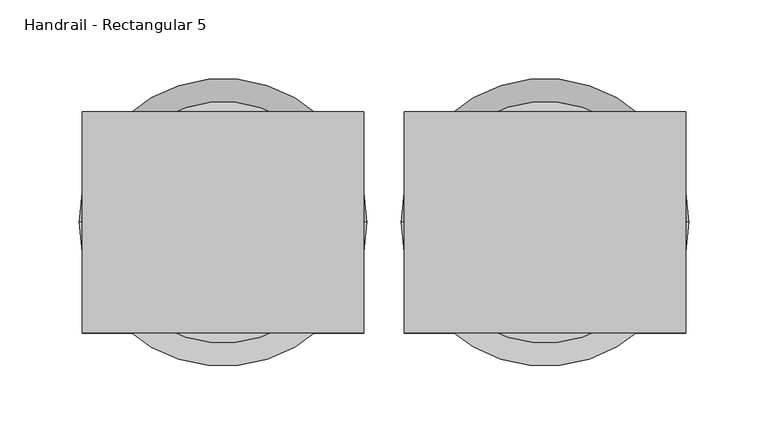
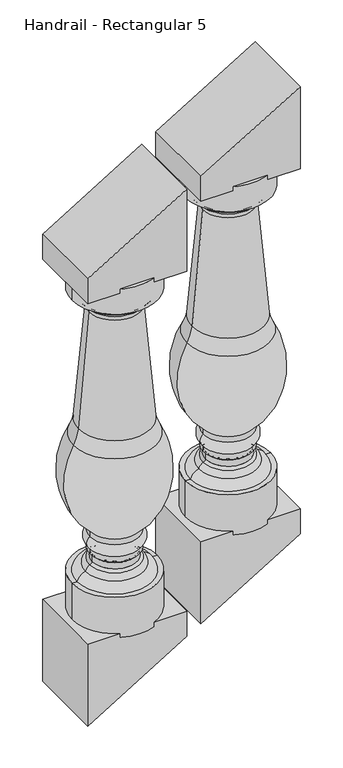
"""IFC4 building model written with IfcOpenShell, lengths in millimetres: railing geometry, Handrail - Rectangular 5."""

import ifcopenshell
import ifcopenshell.guid

model = None  # the IFC model being written
_history = None  # IfcOwnerHistory: only IFC2X3 demands one
_inside = {}  # id of a spatial element -> (the spatial element, [elements in it])
_under = {}  # id of a project, library or spatial element -> (it, [spatial elements below it])
_declared = {}  # id of a project -> (the project, [libraries it declares])
_typed = {}  # id of a type object -> (the type object, [elements of that type])
_made_of = {}  # id of a material, layer set ... -> (it, [elements and type objects made of it])


def new_model(schema):
    """Start an empty IFC model of exactly this schema.

    Asked for "IFC4X3", IfcOpenShell would pick the latest addendum, in which some entities
    have other attributes; the version numbers below select the first issue.
    IFC2X3 requires an IfcOwnerHistory on every rooted entity: one is made here for all.
    """
    global model, _history
    if schema == "IFC4X3":
        model = ifcopenshell.file(schema_version=(4, 3, 0, 0))
    else:
        model = ifcopenshell.file(schema=schema)
    _inside.clear()
    _under.clear()
    _declared.clear()
    _typed.clear()
    _made_of.clear()
    _history = None
    if model.schema == "IFC2X3":
        org = make("IfcOrganization", Name="unknown")
        user = make(
            "IfcPersonAndOrganization",
            ThePerson=make("IfcPerson", FamilyName="unknown"),
            TheOrganization=org,
        )
        app = make(
            "IfcApplication",
            ApplicationDeveloper=org,
            Version="unknown",
            ApplicationFullName="unknown",
            ApplicationIdentifier="unknown",
        )
        _history = make(
            "IfcOwnerHistory",
            OwningUser=user,
            OwningApplication=app,
            ChangeAction="ADDED",
            CreationDate=0,
        )
    return model


def make(cls, **values):
    """One entity of the class cls with the attributes given. An attribute that is None is left unset."""
    return model.create_entity(
        cls, **{name: value for name, value in values.items() if value is not None}
    )


def rooted(cls, **values):
    """An entity with a GlobalId (a new one), such as an element, a storey or a relation."""
    return make(cls, GlobalId=ifcopenshell.guid.new(), OwnerHistory=_history, **values)


def si_unit(unit_type, name, prefix=None):
    """IfcSIUnit, for example si_unit("LENGTHUNIT", "METRE", prefix="MILLI")."""
    return make("IfcSIUnit", UnitType=unit_type, Prefix=prefix, Name=name)


def assignment(units):
    """IfcUnitAssignment: the units of a project."""
    return None if units is None else make("IfcUnitAssignment", Units=units)


def point(xyz):
    """IfcCartesianPoint."""
    return None if xyz is None else make("IfcCartesianPoint", Coordinates=xyz)


def direction(xyz):
    """IfcDirection."""
    return None if xyz is None else make("IfcDirection", DirectionRatios=xyz)


def frame(location, z_axis=None, x_axis=None):
    """IfcAxis2Placement3D, a coordinate frame: its origin and axes. An axis left out is left unset."""
    return make(
        "IfcAxis2Placement3D",
        Location=point(location),
        Axis=direction(z_axis),
        RefDirection=direction(x_axis),
    )


def origin():
    """The frame at (0, 0, 0) with its axes left unset."""
    return frame((0.0, 0.0, 0.0))


def place(relative_to, where):
    """IfcLocalPlacement: puts the frame where relative to a parent placement (None: the world)."""
    return make(
        "IfcLocalPlacement", PlacementRelTo=relative_to, RelativePlacement=where
    )


def context(
    kind, dimensions, precision=None, world=None, true_north=None, identifier=None
):
    """IfcGeometricRepresentationContext, for example the 3D "Model" context."""
    return make(
        "IfcGeometricRepresentationContext",
        ContextIdentifier=identifier,
        ContextType=kind,
        CoordinateSpaceDimension=dimensions,
        Precision=precision,
        WorldCoordinateSystem=world,
        TrueNorth=true_north,
    )


def project(units=None, contexts=None):
    """IfcProject with its units and contexts."""
    return rooted(
        "IfcProject",
        Name="project",
        RepresentationContexts=contexts,
        UnitsInContext=assignment(units),
    )


def spatial(cls, under=None, at=None, **own):
    """A site, building, storey or space (cls), placed at a placement, below another one or the project."""
    s = rooted(cls, ObjectPlacement=at, **own)
    if under is not None:
        _under.setdefault(under.id(), (under, []))[1].append(s)
    return s


def polyline(points):
    """IfcPolyline through the points."""
    return make("IfcPolyline", Points=[point(p) for p in points])


def circle_curve(where, radius):
    """IfcCircle in the frame where."""
    return make("IfcCircle", Position=where, Radius=radius)


def ellipse_curve(where, semi_axis1, semi_axis2):
    """IfcEllipse in the frame where."""
    return make(
        "IfcEllipse", Position=where, SemiAxis1=semi_axis1, SemiAxis2=semi_axis2
    )


def trimmed(basis, trim1, trim2, sense, master):
    """IfcTrimmedCurve: the piece of a basis curve between two trims."""
    return make(
        "IfcTrimmedCurve",
        BasisCurve=basis,
        Trim1=trim1,
        Trim2=trim2,
        SenseAgreement=sense,
        MasterRepresentation=master,
    )


def outline(outer, holes=None, kind="AREA"):
    """IfcArbitraryClosedProfileDef: a profile drawn as a closed curve; with holes, ...WithVoids."""
    if holes is None:
        return make("IfcArbitraryClosedProfileDef", ProfileType=kind, OuterCurve=outer)
    return make(
        "IfcArbitraryProfileDefWithVoids",
        ProfileType=kind,
        OuterCurve=outer,
        InnerCurves=holes,
    )


def extrude(swept, where, along, depth):
    """IfcExtrudedAreaSolid: the profile swept, set in the frame where, extruded along a direction by depth."""
    return make(
        "IfcExtrudedAreaSolid",
        SweptArea=swept,
        Position=where,
        ExtrudedDirection=direction(along),
        Depth=depth,
    )


def shape(context_of_items, identifier, shape_type, items):
    """IfcShapeRepresentation: the items that make up one representation, for example the "Body"."""
    return make(
        "IfcShapeRepresentation",
        ContextOfItems=context_of_items,
        RepresentationIdentifier=identifier,
        RepresentationType=shape_type,
        Items=items,
    )


def source(mapping_origin, context_of_items, identifier, shape_type, items):
    """IfcRepresentationMap: a shape defined once, which mapped items show again and again."""
    return make(
        "IfcRepresentationMap",
        MappingOrigin=mapping_origin,
        MappedRepresentation=shape(context_of_items, identifier, shape_type, items),
    )


def transform(
    local_origin,
    x_axis=None,
    y_axis=None,
    z_axis=None,
    scale=None,
    scale2=None,
    scale3=None,
    uniform=True,
):
    """IfcCartesianTransformationOperator3D, or its non-uniform kind. x_axis, y_axis, z_axis: its Axis1, 2, 3."""
    if uniform:
        return make(
            "IfcCartesianTransformationOperator3D",
            Axis1=direction(x_axis),
            Axis2=direction(y_axis),
            LocalOrigin=point(local_origin),
            Scale=scale,
            Axis3=direction(z_axis),
        )
    return make(
        "IfcCartesianTransformationOperator3DnonUniform",
        Axis1=direction(x_axis),
        Axis2=direction(y_axis),
        LocalOrigin=point(local_origin),
        Scale=scale,
        Axis3=direction(z_axis),
        Scale2=scale2,
        Scale3=scale3,
    )


def mapped(mapping_source, mapping_target):
    """IfcMappedItem: shows the shape of a source again, moved by a transform."""
    return make(
        "IfcMappedItem", MappingSource=mapping_source, MappingTarget=mapping_target
    )


def made_of(thing, what):
    """Note that an element or type object is made of a material, layer set ...; save() writes the relation."""
    if what is not None:
        _made_of.setdefault(what.id(), (what, []))[1].append(thing)
    return thing


def element(
    cls,
    number,
    at=None,
    inside=None,
    cuts=None,
    type_object=None,
    material=None,
    context=None,
    identifier="Body",
    shape_type=None,
    held_by="IfcProductDefinitionShape",
    body=None,
    shapes=None,
    **own,
):
    """One element of the class cls, such as IfcWall. Its Tag is "e" and its number.

    at: its placement. inside: the storey or other place that contains it. cuts: it is an
    opening in that element (IfcRelVoidsElement). A single representation is given by context,
    identifier, shape_type and body (its items); several are given by shapes. held_by: the class
    of the entity that holds the representations. save() writes the other relations.
    """
    e = rooted(cls, Tag="e%d" % number, ObjectPlacement=at, **own)
    if body is not None:
        shapes = [shape(context, identifier, shape_type, body)]
    if shapes is not None:
        e.Representation = make(held_by, Representations=shapes)
    if inside is not None:
        _inside.setdefault(inside.id(), (inside, []))[1].append(e)
    if cuts is not None:
        rooted(
            "IfcRelVoidsElement", RelatingBuildingElement=cuts, RelatedOpeningElement=e
        )
    if type_object is not None:
        _typed.setdefault(type_object.id(), (type_object, []))[1].append(e)
    return made_of(e, material)


def aggregate(whole, parts):
    """IfcRelAggregates: a whole, such as a stair, and the parts it consists of."""
    return rooted("IfcRelAggregates", RelatingObject=whole, RelatedObjects=parts)


def save(model, path):
    """Write the relations noted so far, then the file.

    IfcRelAggregates (storeys below a building ...), IfcRelContainedInSpatialStructure (elements
    in a storey), IfcRelDefinesByType, IfcRelAssociatesMaterial and IfcRelDeclares: one each for
    every whole, place, type object, material and project.
    """
    for whole, parts in _under.values():
        aggregate(whole, parts)
    for where, things in _inside.values():
        rooted(
            "IfcRelContainedInSpatialStructure",
            RelatedElements=things,
            RelatingStructure=where,
        )
    for kind, things in _typed.values():
        rooted("IfcRelDefinesByType", RelatedObjects=things, RelatingType=kind)
    for what, things in _made_of.values():
        rooted("IfcRelAssociatesMaterial", RelatedObjects=things, RelatingMaterial=what)
    for by, libraries in _declared.values():
        rooted("IfcRelDeclares", RelatingContext=by, RelatedDefinitions=libraries)
    model.write(path)


def plane_surface(at):
    """IfcPlane: the flat surface through the origin of the frame at, square to its z axis."""
    return make("IfcPlane", Position=at)


def cylinder_surface(at, radius):
    """IfcCylindricalSurface: all points at the distance radius from the z axis of the frame at."""
    return make("IfcCylindricalSurface", Position=at, Radius=radius)


def revolved_surface(curve, axis_point, axis_direction):
    """IfcSurfaceOfRevolution: the curve turned about the line through axis_point along axis_direction."""
    return make(
        "IfcSurfaceOfRevolution",
        SweptCurve=make("IfcArbitraryOpenProfileDef", ProfileType="CURVE", Curve=curve),
        AxisPosition=make("IfcAxis1Placement", Location=point(axis_point), Axis=direction(axis_direction)),
    )


def advanced_brep(points, edges, surfaces, faces):
    """IfcAdvancedBrep: a solid bounded by faces that lie on surfaces and meet in shared edges.

    An edge is (start, end): straight between two places in points (the first is 0);
    or (start, end, curve); or (start, end, curve, False) where it runs against its curve.
    A face is (place in surfaces, loops), or (place, loops, False) where it looks against
    its surface's normal. A loop lists edges by number (the first is 1), with a minus sign
    where the edge is run from its end to its start. The first loop is the outer one.
    """
    corners = [point(p) for p in points]
    vertices = [make("IfcVertexPoint", VertexGeometry=c) for c in corners]
    made = []
    for start, end, *more in edges:
        made.append(
            make(
                "IfcEdgeCurve",
                EdgeStart=vertices[start],
                EdgeEnd=vertices[end],
                EdgeGeometry=more[0] if more else make("IfcPolyline", Points=[corners[start], corners[end]]),
                SameSense=more[1] if len(more) > 1 else True,
            )
        )
    hull = []
    for where, loops, *sense in faces:
        bounds = []
        for j, loop in enumerate(loops):
            ring = [make("IfcOrientedEdge", EdgeElement=made[abs(k) - 1], Orientation=k > 0) for k in loop]
            bounds.append(
                make(
                    "IfcFaceOuterBound" if j == 0 else "IfcFaceBound",
                    Bound=make("IfcEdgeLoop", EdgeList=ring),
                    Orientation=True,
                )
            )
        hull.append(make("IfcAdvancedFace", Bounds=bounds, FaceSurface=surfaces[where], SameSense=sense[0] if sense else True))
    return make("IfcAdvancedBrep", Outer=make("IfcClosedShell", CfsFaces=hull))


def handrail_rectangular_5_bce37ac3(model_context):
    return source(origin(), model_context, "Body", "SolidModel", [
        advanced_brep(
        [(14010.5027138, 4021.0919589, 1465.693563), (14162.9027138, 4021.0919589, 1465.693563), (14086.7027138, 4021.0919589, 1465.693563), (14010.5027138, 4021.0919589, 1418.0176385), (14162.9027138, 4021.0919589, 1418.0176385), (14020.545945, 4021.0919589, 1418.0176385), (14152.8594825, 4021.0919589, 1418.0176385), (14032.0292349, 4021.0919589, 1406.5343487), (14141.3761926, 4021.0919589, 1406.5343487), (14032.0292349, 4021.0919589, 1400.9146922), (14141.3761926, 4021.0919589, 1400.9146922), (14037.731422, 4021.0919589, 1394.7702606), (14135.6740055, 4021.0919589, 1394.7702606), (14041.0732178, 4021.0919589, 1385.4114376), (14132.3322097, 4021.0919589, 1385.4114376), (14022.3057118, 4021.0919589, 1170.0443848), (14151.0997157, 4021.0919589, 1170.0443848), (14013.2884892, 4021.0919589, 1142.0811474), (14160.1169383, 4021.0919589, 1142.0811474), (14042.5593215, 4021.0919589, 969.3378931), (14130.8461061, 4021.0919589, 969.3378931), (14042.5593215, 4021.0919589, 959.0122784), (14130.8461061, 4021.0919589, 959.0122784), (14042.5593215, 4021.0919589, 936.4368281), (14130.8461061, 4021.0919589, 936.4368281), (14042.5593215, 4021.0919589, 926.1112134), (14130.8461061, 4021.0919589, 926.1112134), (14046.8697617, 4021.0919589, 921.8007732), (14126.5356658, 4021.0919589, 921.8007732), (14046.8697617, 4021.0919589, 910.0038841), (14126.5356658, 4021.0919589, 910.0038841), (14042.3719686, 4021.0919589, 905.6975174), (14131.0334589, 4021.0919589, 905.6975174), (14034.8515116, 4021.0919589, 895.6493499), (14138.5539159, 4021.0919589, 895.6493499), (14019.7029029, 4021.0919589, 881.493563), (14153.7025247, 4021.0919589, 881.493563), (14010.5027138, 4021.0919589, 881.493563), (14162.9027138, 4021.0919589, 881.493563), (14010.5027138, 4021.0919589, 805.293563), (14162.9027138, 4021.0919589, 805.293563), (14086.7027138, 4021.0919589, 805.293563)],
        [
            (0, 1, circle_curve(frame((14086.7027138, 4021.0919589, 1465.693563), z_axis=(0.0, 0.0, 1.0), x_axis=(1.0, 0.0, 0.0)), 76.2)),
            (1, 2),
            (2, 0),
            (1, 0, circle_curve(frame((14086.7027138, 4021.0919589, 1465.693563), z_axis=(0.0, 0.0, 1.0), x_axis=(1.0, 0.0, 0.0)), 76.2)),
            (3, 4, circle_curve(frame((14086.7027138, 4021.0919589, 1418.0176385), z_axis=(0.0, 0.0, 1.0), x_axis=(1.0, 0.0, 0.0)), 76.2)),
            (4, 1),
            (0, 3),
            (4, 3, circle_curve(frame((14086.7027138, 4021.0919589, 1418.0176385), z_axis=(0.0, 0.0, 1.0), x_axis=(1.0, 0.0, 0.0)), 76.2)),
            (5, 6, circle_curve(frame((14086.7027138, 4021.0919589, 1418.0176385), z_axis=(0.0, 0.0, 1.0), x_axis=(1.0, 0.0, 0.0)), 66.1567687)),
            (6, 4),
            (3, 5),
            (6, 5, circle_curve(frame((14086.7027138, 4021.0919589, 1418.0176385), z_axis=(0.0, 0.0, 1.0), x_axis=(1.0, 0.0, 0.0)), 66.1567687)),
            (7, 8, circle_curve(frame((14086.7027138, 4021.0919589, 1406.5343487), z_axis=(0.0, 0.0, 1.0), x_axis=(1.0, 0.0, 0.0)), 54.6734788)),
            (8, 6, circle_curve(frame((14141.3761926, 4021.0919589, 1418.0176385), z_axis=(0.0, -1.0, 0.0), x_axis=(-1.0, 0.0, 0.0)), 11.4832899)),
            (5, 7, circle_curve(frame((14032.0292349, 4021.0919589, 1418.0176385), z_axis=(0.0, -1.0, 0.0), x_axis=(1.0, 0.0, 0.0)), 11.4832899)),
            (8, 7, circle_curve(frame((14086.7027138, 4021.0919589, 1406.5343487), z_axis=(0.0, 0.0, 1.0), x_axis=(1.0, 0.0, 0.0)), 54.6734788)),
            (9, 10, circle_curve(frame((14086.7027138, 4021.0919589, 1400.9146922), z_axis=(0.0, 0.0, 1.0), x_axis=(1.0, 0.0, 0.0)), 54.6734788)),
            (10, 8),
            (7, 9),
            (10, 9, circle_curve(frame((14086.7027138, 4021.0919589, 1400.9146922), z_axis=(0.0, 0.0, 1.0), x_axis=(1.0, 0.0, 0.0)), 54.6734788)),
            (11, 12, circle_curve(frame((14086.7027138, 4021.0919589, 1394.7702606), z_axis=(0.0, 0.0, 1.0), x_axis=(1.0, 0.0, 0.0)), 48.9712918)),
            (12, 10, circle_curve(frame((14149.085053, 4021.0919589, 1388.0425735), z_axis=(0.0, 1.0, 0.0), x_axis=(-1.0, 0.0, 0.0)), 15.0039317)),
            (9, 11, circle_curve(frame((14024.3203745, 4021.0919589, 1388.0425735), z_axis=(0.0, 1.0, 0.0), x_axis=(1.0, 0.0, 0.0)), 15.0039317)),
            (12, 11, circle_curve(frame((14086.7027138, 4021.0919589, 1394.7702606), z_axis=(0.0, 0.0, 1.0), x_axis=(1.0, 0.0, 0.0)), 48.9712918)),
            (13, 14, circle_curve(frame((14086.7027138, 4021.0919589, 1385.4114376), z_axis=(0.0, 0.0, 1.0), x_axis=(1.0, 0.0, 0.0)), 45.629496)),
            (14, 12, circle_curve(frame((14145.0100981, 4021.0919589, 1386.1605349), z_axis=(0.0, 1.0, 0.0), x_axis=(-1.0, 0.0, 0.0)), 12.7)),
            (11, 13, circle_curve(frame((14028.3953294, 4021.0919589, 1386.1605349), z_axis=(0.0, 1.0, 0.0), x_axis=(1.0, 0.0, 0.0)), 12.7)),
            (14, 13, circle_curve(frame((14086.7027138, 4021.0919589, 1385.4114376), z_axis=(0.0, 0.0, 1.0), x_axis=(1.0, 0.0, 0.0)), 45.629496)),
            (15, 16, circle_curve(frame((14086.7027138, 4021.0919589, 1170.0443848), z_axis=(0.0, 0.0, 1.0), x_axis=(1.0, 0.0, 0.0)), 64.3970019)),
            (16, 14, circle_curve(frame((17999.7737342, 4021.0919589, 1613.926607), z_axis=(0.0, 1.0, 0.0), x_axis=(-1.0, 0.0, 0.0)), 3874.1867698)),
            (13, 15, circle_curve(frame((10173.6316934, 4021.0919589, 1613.926607), z_axis=(0.0, 1.0, 0.0), x_axis=(1.0, 0.0, 0.0)), 3874.1867698)),
            (16, 15, circle_curve(frame((14086.7027138, 4021.0919589, 1170.0443848), z_axis=(0.0, 0.0, 1.0), x_axis=(1.0, 0.0, 0.0)), 64.3970019)),
            (17, 18, circle_curve(frame((14086.7027138, 4021.0919589, 1142.0811474), z_axis=(0.0, 0.0, 1.0), x_axis=(1.0, 0.0, 0.0)), 73.4142246)),
            (18, 16, circle_curve(frame((14225.6193683, 4021.0919589, 1178.63902), z_axis=(0.0, 1.0, 0.0), x_axis=(-1.0, 0.0, 0.0)), 75.0136413)),
            (15, 17, circle_curve(frame((13947.7860592, 4021.0919589, 1178.63902), z_axis=(0.0, 1.0, 0.0), x_axis=(1.0, 0.0, 0.0)), 75.0136413)),
            (18, 17, circle_curve(frame((14086.7027138, 4021.0919589, 1142.0811474), z_axis=(0.0, 0.0, 1.0), x_axis=(1.0, 0.0, 0.0)), 73.4142246)),
            (19, 20, circle_curve(frame((14086.7027138, 4021.0919589, 969.3378931), z_axis=(0.0, 0.0, 1.0), x_axis=(1.0, 0.0, 0.0)), 44.1433923)),
            (20, 18, circle_curve(frame((14037.994589, 4021.0919589, 1073.9228624), z_axis=(0.0, -1.0, 0.0), x_axis=(-1.0, 0.0, 0.0)), 139.8549964)),
            (17, 19, circle_curve(frame((14135.4108385, 4021.0919589, 1073.9228624), z_axis=(0.0, -1.0, 0.0), x_axis=(1.0, 0.0, 0.0)), 139.8549964)),
            (20, 19, circle_curve(frame((14086.7027138, 4021.0919589, 969.3378931), z_axis=(0.0, 0.0, 1.0), x_axis=(1.0, 0.0, 0.0)), 44.1433923)),
            (21, 22, circle_curve(frame((14086.7027138, 4021.0919589, 959.0122784), z_axis=(0.0, 0.0, 1.0), x_axis=(1.0, 0.0, 0.0)), 44.1433923)),
            (22, 20),
            (19, 21),
            (22, 21, circle_curve(frame((14086.7027138, 4021.0919589, 959.0122784), z_axis=(0.0, 0.0, 1.0), x_axis=(1.0, 0.0, 0.0)), 44.1433923)),
            (23, 24, circle_curve(frame((14086.7027138, 4021.0919589, 936.4368281), z_axis=(0.0, 0.0, 1.0), x_axis=(1.0, 0.0, 0.0)), 44.1433923)),
            (24, 22, circle_curve(frame((14122.5540782, 4021.0919589, 947.7245533), z_axis=(0.0, -1.0, 0.0), x_axis=(-1.0, 0.0, 0.0)), 14.0060867)),
            (21, 23, circle_curve(frame((14050.8513493, 4021.0919589, 947.7245533), z_axis=(0.0, -1.0, 0.0), x_axis=(1.0, 0.0, 0.0)), 14.0060867)),
            (24, 23, circle_curve(frame((14086.7027138, 4021.0919589, 936.4368281), z_axis=(0.0, 0.0, 1.0), x_axis=(1.0, 0.0, 0.0)), 44.1433923)),
            (25, 26, circle_curve(frame((14086.7027138, 4021.0919589, 926.1112134), z_axis=(0.0, 0.0, 1.0), x_axis=(1.0, 0.0, 0.0)), 44.1433923)),
            (26, 24),
            (23, 25),
            (26, 25, circle_curve(frame((14086.7027138, 4021.0919589, 926.1112134), z_axis=(0.0, 0.0, 1.0), x_axis=(1.0, 0.0, 0.0)), 44.1433923)),
            (27, 28, circle_curve(frame((14086.7027138, 4021.0919589, 921.8007732), z_axis=(0.0, 0.0, 1.0), x_axis=(1.0, 0.0, 0.0)), 39.8329521)),
            (28, 26, circle_curve(frame((14130.8461061, 4021.0919589, 921.8007732), z_axis=(0.0, 1.0, 0.0), x_axis=(-1.0, 0.0, 0.0)), 4.3104402)),
            (25, 27, circle_curve(frame((14042.5593215, 4021.0919589, 921.8007732), z_axis=(0.0, 1.0, 0.0), x_axis=(1.0, 0.0, 0.0)), 4.3104402)),
            (28, 27, circle_curve(frame((14086.7027138, 4021.0919589, 921.8007732), z_axis=(0.0, 0.0, 1.0), x_axis=(1.0, 0.0, 0.0)), 39.8329521)),
            (29, 30, circle_curve(frame((14086.7027138, 4021.0919589, 910.0038841), z_axis=(0.0, 0.0, 1.0), x_axis=(1.0, 0.0, 0.0)), 39.8329521)),
            (30, 28),
            (27, 29),
            (30, 29, circle_curve(frame((14086.7027138, 4021.0919589, 910.0038841), z_axis=(0.0, 0.0, 1.0), x_axis=(1.0, 0.0, 0.0)), 39.8329521)),
            (31, 32, circle_curve(frame((14086.7027138, 4021.0919589, 905.6975174), z_axis=(0.0, 0.0, 1.0), x_axis=(1.0, 0.0, 0.0)), 44.3307451)),
            (32, 30, circle_curve(frame((14130.8461061, 4021.0919589, 910.0038841), z_axis=(0.0, 1.0, 0.0), x_axis=(-1.0, 0.0, 0.0)), 4.3104402)),
            (29, 31, circle_curve(frame((14042.5593215, 4021.0919589, 910.0038841), z_axis=(0.0, 1.0, 0.0), x_axis=(1.0, 0.0, 0.0)), 4.3104402)),
            (32, 31, circle_curve(frame((14086.7027138, 4021.0919589, 905.6975174), z_axis=(0.0, 0.0, 1.0), x_axis=(1.0, 0.0, 0.0)), 44.3307451)),
            (33, 34, circle_curve(frame((14086.7027138, 4021.0919589, 895.6493499), z_axis=(0.0, 0.0, 1.0), x_axis=(1.0, 0.0, 0.0)), 51.8512022)),
            (34, 32, circle_curve(frame((14123.9145996, 4021.0919589, 892.5310821), z_axis=(0.0, -1.0, 0.0), x_axis=(-1.0, 0.0, 0.0)), 14.9677378)),
            (31, 33, circle_curve(frame((14049.4908279, 4021.0919589, 892.5310821), z_axis=(0.0, -1.0, 0.0), x_axis=(1.0, 0.0, 0.0)), 14.9677378)),
            (34, 33, circle_curve(frame((14086.7027138, 4021.0919589, 895.6493499), z_axis=(0.0, 0.0, 1.0), x_axis=(1.0, 0.0, 0.0)), 51.8512022)),
            (35, 36, circle_curve(frame((14086.7027138, 4021.0919589, 881.493563), z_axis=(0.0, 0.0, 1.0), x_axis=(1.0, 0.0, 0.0)), 66.9998109)),
            (36, 34, circle_curve(frame((14133.3050679, 4021.0919589, 874.8489471), z_axis=(0.0, -1.0, 0.0), x_axis=(-1.0, 0.0, 0.0)), 21.4524396)),
            (33, 35, circle_curve(frame((14040.1003597, 4021.0919589, 874.8489471), z_axis=(0.0, -1.0, 0.0), x_axis=(1.0, 0.0, 0.0)), 21.4524396)),
            (36, 35, circle_curve(frame((14086.7027138, 4021.0919589, 881.493563), z_axis=(0.0, 0.0, 1.0), x_axis=(1.0, 0.0, 0.0)), 66.9998109)),
            (37, 38, circle_curve(frame((14086.7027138, 4021.0919589, 881.493563), z_axis=(0.0, 0.0, 1.0), x_axis=(1.0, 0.0, 0.0)), 76.2)),
            (38, 36),
            (35, 37),
            (38, 37, circle_curve(frame((14086.7027138, 4021.0919589, 881.493563), z_axis=(0.0, 0.0, 1.0), x_axis=(1.0, 0.0, 0.0)), 76.2)),
            (39, 40, circle_curve(frame((14086.7027138, 4021.0919589, 805.293563), z_axis=(0.0, 0.0, 1.0), x_axis=(1.0, 0.0, 0.0)), 76.2)),
            (40, 38),
            (37, 39),
            (40, 39, circle_curve(frame((14086.7027138, 4021.0919589, 805.293563), z_axis=(0.0, 0.0, 1.0), x_axis=(1.0, 0.0, 0.0)), 76.2)),
            (41, 40),
            (39, 41),
        ],
        [
            plane_surface(frame((14086.7027138, 4021.0919589, 1465.693563), z_axis=(0.0, 0.0, 1.0), x_axis=(1.0, 0.0, 0.0))),
            cylinder_surface(frame((14086.7027138, 4021.0919589, 1433.943563), z_axis=(0.0, 0.0, -1.0), x_axis=(1.0, 0.0, 0.0)), 76.2),
            plane_surface(frame((14086.7027138, 4021.0919589, 1418.0176385), z_axis=(0.0, 0.0, -1.0), x_axis=(1.0, 0.0, 0.0))),
            revolved_surface(trimmed(ellipse_curve(frame((14141.3761926, 4021.0919589, 1418.0176385), z_axis=(0.0, 1.0, 0.0), x_axis=(-1.0, 0.0, 0.0)), 11.4832899, 11.4832899), [point((14152.8594825, 4021.0919589, 1418.0176385))], [point((14141.3761926, 4021.0919589, 1406.5343487))], True, "CARTESIAN"), (14086.7027138, 4021.0919589, 1433.943563), (0.0, 0.0, -1.0)),
            cylinder_surface(frame((14086.7027138, 4021.0919589, 1433.943563), z_axis=(0.0, 0.0, -1.0), x_axis=(1.0, 0.0, 0.0)), 54.6734788),
            revolved_surface(trimmed(ellipse_curve(frame((14149.085053, 4021.0919589, 1388.0425735), z_axis=(0.0, -1.0, 0.0), x_axis=(-1.0, 0.0, 0.0)), 15.0039317, 15.0039317), [point((14141.3761926, 4021.0919589, 1400.9146922))], [point((14135.6740055, 4021.0919589, 1394.7702606))], True, "CARTESIAN"), (14086.7027138, 4021.0919589, 1433.943563), (0.0, 0.0, -1.0)),
            revolved_surface(trimmed(ellipse_curve(frame((14145.0100981, 4021.0919589, 1386.1605349), z_axis=(0.0, -1.0, 0.0), x_axis=(-1.0, 0.0, 0.0)), 12.7, 12.7), [point((14135.6740055, 4021.0919589, 1394.7702606))], [point((14132.3322097, 4021.0919589, 1385.4114376))], True, "CARTESIAN"), (14086.7027138, 4021.0919589, 1433.943563), (0.0, 0.0, -1.0)),
            revolved_surface(trimmed(ellipse_curve(frame((17999.7737342, 4021.0919589, 1613.926607), z_axis=(0.0, -1.0, 0.0), x_axis=(-1.0, 0.0, 0.0)), 3874.1867698, 3874.1867698), [point((14132.3322097, 4021.0919589, 1385.4114376))], [point((14151.0997157, 4021.0919589, 1170.0443848))], True, "CARTESIAN"), (14086.7027138, 4021.0919589, 1433.943563), (0.0, 0.0, -1.0)),
            revolved_surface(trimmed(ellipse_curve(frame((14225.6193683, 4021.0919589, 1178.63902), z_axis=(0.0, -1.0, 0.0), x_axis=(-1.0, 0.0, 0.0)), 75.0136413, 75.0136413), [point((14151.0997157, 4021.0919589, 1170.0443848))], [point((14160.1169383, 4021.0919589, 1142.0811474))], True, "CARTESIAN"), (14086.7027138, 4021.0919589, 1433.943563), (0.0, 0.0, -1.0)),
            revolved_surface(trimmed(ellipse_curve(frame((14037.994589, 4021.0919589, 1073.9228624), z_axis=(0.0, 1.0, 0.0), x_axis=(-1.0, 0.0, 0.0)), 139.8549964, 139.8549964), [point((14160.1169383, 4021.0919589, 1142.0811474))], [point((14130.8461061, 4021.0919589, 969.3378931))], True, "CARTESIAN"), (14086.7027138, 4021.0919589, 1433.943563), (0.0, 0.0, -1.0)),
            cylinder_surface(frame((14086.7027138, 4021.0919589, 1433.943563), z_axis=(0.0, 0.0, -1.0), x_axis=(1.0, 0.0, 0.0)), 44.1433923),
            revolved_surface(trimmed(ellipse_curve(frame((14122.5540782, 4021.0919589, 947.7245533), z_axis=(0.0, 1.0, 0.0), x_axis=(-1.0, 0.0, 0.0)), 14.0060867, 14.0060867), [point((14130.8461061, 4021.0919589, 959.0122784))], [point((14130.8461061, 4021.0919589, 936.4368281))], True, "CARTESIAN"), (14086.7027138, 4021.0919589, 1433.943563), (0.0, 0.0, -1.0)),
            revolved_surface(trimmed(ellipse_curve(frame((14130.8461061, 4021.0919589, 921.8007732), z_axis=(0.0, -1.0, 0.0), x_axis=(-1.0, 0.0, 0.0)), 4.3104402, 4.3104402), [point((14130.8461061, 4021.0919589, 926.1112134))], [point((14126.5356658, 4021.0919589, 921.8007732))], True, "CARTESIAN"), (14086.7027138, 4021.0919589, 1433.943563), (0.0, 0.0, -1.0)),
            cylinder_surface(frame((14086.7027138, 4021.0919589, 1433.943563), z_axis=(0.0, 0.0, -1.0), x_axis=(1.0, 0.0, 0.0)), 39.8329521),
            revolved_surface(trimmed(ellipse_curve(frame((14130.8461061, 4021.0919589, 910.0038841), z_axis=(0.0, -1.0, 0.0), x_axis=(-1.0, 0.0, 0.0)), 4.3104402, 4.3104402), [point((14126.5356658, 4021.0919589, 910.0038841))], [point((14131.0334589, 4021.0919589, 905.6975174))], True, "CARTESIAN"), (14086.7027138, 4021.0919589, 1433.943563), (0.0, 0.0, -1.0)),
            revolved_surface(trimmed(ellipse_curve(frame((14123.9145996, 4021.0919589, 892.5310821), z_axis=(0.0, 1.0, 0.0), x_axis=(-1.0, 0.0, 0.0)), 14.9677378, 14.9677378), [point((14131.0334589, 4021.0919589, 905.6975174))], [point((14138.5539159, 4021.0919589, 895.6493499))], True, "CARTESIAN"), (14086.7027138, 4021.0919589, 1433.943563), (0.0, 0.0, -1.0)),
            revolved_surface(trimmed(ellipse_curve(frame((14133.3050679, 4021.0919589, 874.8489471), z_axis=(0.0, 1.0, 0.0), x_axis=(-1.0, 0.0, 0.0)), 21.4524396, 21.4524396), [point((14138.5539159, 4021.0919589, 895.6493499))], [point((14153.7025247, 4021.0919589, 881.493563))], True, "CARTESIAN"), (14086.7027138, 4021.0919589, 1433.943563), (0.0, 0.0, -1.0)),
            plane_surface(frame((14086.7027138, 4021.0919589, 881.493563), z_axis=(0.0, 0.0, 1.0), x_axis=(1.0, 0.0, 0.0))),
            plane_surface(frame((14086.7027138, 4021.0919589, 805.293563), z_axis=(0.0, 0.0, -1.0), x_axis=(1.0, 0.0, 0.0))),
        ],
        [
            (0, [[1, 2, 3]]),
            (0, [[4, -3, -2]]),
            (1, [[5, 6, -1, 7]]),
            (1, [[8, -7, -4, -6]]),
            (2, [[9, 10, -5, 11]]),
            (2, [[12, -11, -8, -10]]),
            (3, [[13, 14, -9, 15]]),
            (3, [[16, -15, -12, -14]]),
            (4, [[17, 18, -13, 19]]),
            (4, [[20, -19, -16, -18]]),
            (5, [[21, 22, -17, 23]]),
            (5, [[24, -23, -20, -22]]),
            (6, [[25, 26, -21, 27]]),
            (6, [[28, -27, -24, -26]]),
            (7, [[29, 30, -25, 31]]),
            (7, [[32, -31, -28, -30]]),
            (8, [[33, 34, -29, 35]]),
            (8, [[36, -35, -32, -34]]),
            (9, [[37, 38, -33, 39]]),
            (9, [[40, -39, -36, -38]]),
            (10, [[41, 42, -37, 43]]),
            (10, [[44, -43, -40, -42]]),
            (11, [[45, 46, -41, 47]]),
            (11, [[48, -47, -44, -46]]),
            (10, [[49, 50, -45, 51]]),
            (10, [[52, -51, -48, -50]]),
            (12, [[53, 54, -49, 55]]),
            (12, [[56, -55, -52, -54]]),
            (13, [[57, 58, -53, 59]]),
            (13, [[60, -59, -56, -58]]),
            (14, [[61, 62, -57, 63]]),
            (14, [[64, -63, -60, -62]]),
            (15, [[65, 66, -61, 67]]),
            (15, [[68, -67, -64, -66]]),
            (16, [[69, 70, -65, 71]]),
            (16, [[72, -71, -68, -70]]),
            (17, [[73, 74, -69, 75]]),
            (17, [[76, -75, -72, -74]]),
            (1, [[77, 78, -73, 79]]),
            (1, [[80, -79, -76, -78]]),
            (18, [[81, -77, 82]]),
            (18, [[-82, -80, -81]]),
        ],
    ),
        extrude(outline(polyline([(813.0886364, 14175.6027138), (813.0886364, 13997.8027138), (657.6098485, 13997.8027138), (765.3674242, 14175.6027138), (813.0886364, 14175.6027138)])), frame((0.0, 3951.2419589, 0.0), z_axis=(0.0, 1.0, 0.0), x_axis=(0.0, 0.0, 1.0)), (0.0, 0.0, 1.0), 139.7),
        extrude(outline(polyline([(1457.8984897, 13997.8027138), (1457.8984897, 14175.6027138), (1613.3772775, 14175.6027138), (1505.6197018, 13997.8027138), (1457.8984897, 13997.8027138)])), frame((0.0, 3951.2419589, 0.0), z_axis=(0.0, 1.0, 0.0), x_axis=(0.0, 0.0, 1.0)), (0.0, 0.0, 1.0), 139.7),
        advanced_brep(
        [(13807.3027138, 4021.0919589, 1342.5420479), (13959.7027138, 4021.0919589, 1342.5420479), (13883.5027138, 4021.0919589, 1342.5420479), (13807.3027138, 4021.0919589, 1294.8661234), (13959.7027138, 4021.0919589, 1294.8661234), (13817.345945, 4021.0919589, 1294.8661234), (13949.6594825, 4021.0919589, 1294.8661234), (13828.8292349, 4021.0919589, 1283.3828335), (13938.1761926, 4021.0919589, 1283.3828335), (13828.8292349, 4021.0919589, 1277.763177), (13938.1761926, 4021.0919589, 1277.763177), (13834.531422, 4021.0919589, 1271.6187454), (13932.4740055, 4021.0919589, 1271.6187454), (13837.8732178, 4021.0919589, 1262.2599225), (13929.1322097, 4021.0919589, 1262.2599225), (13819.1057118, 4021.0919589, 1046.8928697), (13947.8997157, 4021.0919589, 1046.8928697), (13810.0884892, 4021.0919589, 1018.9296322), (13956.9169383, 4021.0919589, 1018.9296322), (13839.3593215, 4021.0919589, 846.1863779), (13927.6461061, 4021.0919589, 846.1863779), (13839.3593215, 4021.0919589, 835.8607632), (13927.6461061, 4021.0919589, 835.8607632), (13839.3593215, 4021.0919589, 813.285313), (13927.6461061, 4021.0919589, 813.285313), (13839.3593215, 4021.0919589, 802.9596983), (13927.6461061, 4021.0919589, 802.9596983), (13843.6697617, 4021.0919589, 798.649258), (13923.3356658, 4021.0919589, 798.649258), (13843.6697617, 4021.0919589, 786.8523689), (13923.3356658, 4021.0919589, 786.8523689), (13839.1719686, 4021.0919589, 782.5460022), (13927.8334589, 4021.0919589, 782.5460022), (13831.6515116, 4021.0919589, 772.4978348), (13935.3539159, 4021.0919589, 772.4978348), (13816.5029029, 4021.0919589, 758.3420479), (13950.5025247, 4021.0919589, 758.3420479), (13807.3027138, 4021.0919589, 758.3420479), (13959.7027138, 4021.0919589, 758.3420479), (13807.3027138, 4021.0919589, 682.1420479), (13959.7027138, 4021.0919589, 682.1420479), (13883.5027138, 4021.0919589, 682.1420479)],
        [
            (0, 1, circle_curve(frame((13883.5027138, 4021.0919589, 1342.5420479), z_axis=(0.0, 0.0, 1.0), x_axis=(1.0, 0.0, 0.0)), 76.2)),
            (1, 2),
            (2, 0),
            (1, 0, circle_curve(frame((13883.5027138, 4021.0919589, 1342.5420479), z_axis=(0.0, 0.0, 1.0), x_axis=(1.0, 0.0, 0.0)), 76.2)),
            (3, 4, circle_curve(frame((13883.5027138, 4021.0919589, 1294.8661234), z_axis=(0.0, 0.0, 1.0), x_axis=(1.0, 0.0, 0.0)), 76.2)),
            (4, 1),
            (0, 3),
            (4, 3, circle_curve(frame((13883.5027138, 4021.0919589, 1294.8661234), z_axis=(0.0, 0.0, 1.0), x_axis=(1.0, 0.0, 0.0)), 76.2)),
            (5, 6, circle_curve(frame((13883.5027138, 4021.0919589, 1294.8661234), z_axis=(0.0, 0.0, 1.0), x_axis=(1.0, 0.0, 0.0)), 66.1567687)),
            (6, 4),
            (3, 5),
            (6, 5, circle_curve(frame((13883.5027138, 4021.0919589, 1294.8661234), z_axis=(0.0, 0.0, 1.0), x_axis=(1.0, 0.0, 0.0)), 66.1567687)),
            (7, 8, circle_curve(frame((13883.5027138, 4021.0919589, 1283.3828335), z_axis=(0.0, 0.0, 1.0), x_axis=(1.0, 0.0, 0.0)), 54.6734788)),
            (8, 6, circle_curve(frame((13938.1761926, 4021.0919589, 1294.8661234), z_axis=(0.0, -1.0, 0.0), x_axis=(-1.0, 0.0, 0.0)), 11.4832899)),
            (5, 7, circle_curve(frame((13828.8292349, 4021.0919589, 1294.8661234), z_axis=(0.0, -1.0, 0.0), x_axis=(1.0, 0.0, 0.0)), 11.4832899)),
            (8, 7, circle_curve(frame((13883.5027138, 4021.0919589, 1283.3828335), z_axis=(0.0, 0.0, 1.0), x_axis=(1.0, 0.0, 0.0)), 54.6734788)),
            (9, 10, circle_curve(frame((13883.5027138, 4021.0919589, 1277.763177), z_axis=(0.0, 0.0, 1.0), x_axis=(1.0, 0.0, 0.0)), 54.6734788)),
            (10, 8),
            (7, 9),
            (10, 9, circle_curve(frame((13883.5027138, 4021.0919589, 1277.763177), z_axis=(0.0, 0.0, 1.0), x_axis=(1.0, 0.0, 0.0)), 54.6734788)),
            (11, 12, circle_curve(frame((13883.5027138, 4021.0919589, 1271.6187454), z_axis=(0.0, 0.0, 1.0), x_axis=(1.0, 0.0, 0.0)), 48.9712918)),
            (12, 10, circle_curve(frame((13945.885053, 4021.0919589, 1264.8910584), z_axis=(0.0, 1.0, 0.0), x_axis=(-1.0, 0.0, 0.0)), 15.0039317)),
            (9, 11, circle_curve(frame((13821.1203745, 4021.0919589, 1264.8910584), z_axis=(0.0, 1.0, 0.0), x_axis=(1.0, 0.0, 0.0)), 15.0039317)),
            (12, 11, circle_curve(frame((13883.5027138, 4021.0919589, 1271.6187454), z_axis=(0.0, 0.0, 1.0), x_axis=(1.0, 0.0, 0.0)), 48.9712918)),
            (13, 14, circle_curve(frame((13883.5027138, 4021.0919589, 1262.2599225), z_axis=(0.0, 0.0, 1.0), x_axis=(1.0, 0.0, 0.0)), 45.629496)),
            (14, 12, circle_curve(frame((13941.8100981, 4021.0919589, 1263.0090197), z_axis=(0.0, 1.0, 0.0), x_axis=(-1.0, 0.0, 0.0)), 12.7)),
            (11, 13, circle_curve(frame((13825.1953294, 4021.0919589, 1263.0090197), z_axis=(0.0, 1.0, 0.0), x_axis=(1.0, 0.0, 0.0)), 12.7)),
            (14, 13, circle_curve(frame((13883.5027138, 4021.0919589, 1262.2599225), z_axis=(0.0, 0.0, 1.0), x_axis=(1.0, 0.0, 0.0)), 45.629496)),
            (15, 16, circle_curve(frame((13883.5027138, 4021.0919589, 1046.8928697), z_axis=(0.0, 0.0, 1.0), x_axis=(1.0, 0.0, 0.0)), 64.3970019)),
            (16, 14, circle_curve(frame((17796.5737342, 4021.0919589, 1490.7750918), z_axis=(0.0, 1.0, 0.0), x_axis=(-1.0, 0.0, 0.0)), 3874.1867698)),
            (13, 15, circle_curve(frame((9970.4316934, 4021.0919589, 1490.7750918), z_axis=(0.0, 1.0, 0.0), x_axis=(1.0, 0.0, 0.0)), 3874.1867698)),
            (16, 15, circle_curve(frame((13883.5027138, 4021.0919589, 1046.8928697), z_axis=(0.0, 0.0, 1.0), x_axis=(1.0, 0.0, 0.0)), 64.3970019)),
            (17, 18, circle_curve(frame((13883.5027138, 4021.0919589, 1018.9296322), z_axis=(0.0, 0.0, 1.0), x_axis=(1.0, 0.0, 0.0)), 73.4142246)),
            (18, 16, circle_curve(frame((14022.4193683, 4021.0919589, 1055.4875048), z_axis=(0.0, 1.0, 0.0), x_axis=(-1.0, 0.0, 0.0)), 75.0136413)),
            (15, 17, circle_curve(frame((13744.5860592, 4021.0919589, 1055.4875048), z_axis=(0.0, 1.0, 0.0), x_axis=(1.0, 0.0, 0.0)), 75.0136413)),
            (18, 17, circle_curve(frame((13883.5027138, 4021.0919589, 1018.9296322), z_axis=(0.0, 0.0, 1.0), x_axis=(1.0, 0.0, 0.0)), 73.4142246)),
            (19, 20, circle_curve(frame((13883.5027138, 4021.0919589, 846.1863779), z_axis=(0.0, 0.0, 1.0), x_axis=(1.0, 0.0, 0.0)), 44.1433923)),
            (20, 18, circle_curve(frame((13834.794589, 4021.0919589, 950.7713472), z_axis=(0.0, -1.0, 0.0), x_axis=(-1.0, 0.0, 0.0)), 139.8549964)),
            (17, 19, circle_curve(frame((13932.2108385, 4021.0919589, 950.7713472), z_axis=(0.0, -1.0, 0.0), x_axis=(1.0, 0.0, 0.0)), 139.8549964)),
            (20, 19, circle_curve(frame((13883.5027138, 4021.0919589, 846.1863779), z_axis=(0.0, 0.0, 1.0), x_axis=(1.0, 0.0, 0.0)), 44.1433923)),
            (21, 22, circle_curve(frame((13883.5027138, 4021.0919589, 835.8607632), z_axis=(0.0, 0.0, 1.0), x_axis=(1.0, 0.0, 0.0)), 44.1433923)),
            (22, 20),
            (19, 21),
            (22, 21, circle_curve(frame((13883.5027138, 4021.0919589, 835.8607632), z_axis=(0.0, 0.0, 1.0), x_axis=(1.0, 0.0, 0.0)), 44.1433923)),
            (23, 24, circle_curve(frame((13883.5027138, 4021.0919589, 813.285313), z_axis=(0.0, 0.0, 1.0), x_axis=(1.0, 0.0, 0.0)), 44.1433923)),
            (24, 22, circle_curve(frame((13919.3540782, 4021.0919589, 824.5730381), z_axis=(0.0, -1.0, 0.0), x_axis=(-1.0, 0.0, 0.0)), 14.0060867)),
            (21, 23, circle_curve(frame((13847.6513493, 4021.0919589, 824.5730381), z_axis=(0.0, -1.0, 0.0), x_axis=(1.0, 0.0, 0.0)), 14.0060867)),
            (24, 23, circle_curve(frame((13883.5027138, 4021.0919589, 813.285313), z_axis=(0.0, 0.0, 1.0), x_axis=(1.0, 0.0, 0.0)), 44.1433923)),
            (25, 26, circle_curve(frame((13883.5027138, 4021.0919589, 802.9596983), z_axis=(0.0, 0.0, 1.0), x_axis=(1.0, 0.0, 0.0)), 44.1433923)),
            (26, 24),
            (23, 25),
            (26, 25, circle_curve(frame((13883.5027138, 4021.0919589, 802.9596983), z_axis=(0.0, 0.0, 1.0), x_axis=(1.0, 0.0, 0.0)), 44.1433923)),
            (27, 28, circle_curve(frame((13883.5027138, 4021.0919589, 798.649258), z_axis=(0.0, 0.0, 1.0), x_axis=(1.0, 0.0, 0.0)), 39.8329521)),
            (28, 26, circle_curve(frame((13927.6461061, 4021.0919589, 798.649258), z_axis=(0.0, 1.0, 0.0), x_axis=(-1.0, 0.0, 0.0)), 4.3104402)),
            (25, 27, circle_curve(frame((13839.3593215, 4021.0919589, 798.649258), z_axis=(0.0, 1.0, 0.0), x_axis=(1.0, 0.0, 0.0)), 4.3104402)),
            (28, 27, circle_curve(frame((13883.5027138, 4021.0919589, 798.649258), z_axis=(0.0, 0.0, 1.0), x_axis=(1.0, 0.0, 0.0)), 39.8329521)),
            (29, 30, circle_curve(frame((13883.5027138, 4021.0919589, 786.8523689), z_axis=(0.0, 0.0, 1.0), x_axis=(1.0, 0.0, 0.0)), 39.8329521)),
            (30, 28),
            (27, 29),
            (30, 29, circle_curve(frame((13883.5027138, 4021.0919589, 786.8523689), z_axis=(0.0, 0.0, 1.0), x_axis=(1.0, 0.0, 0.0)), 39.8329521)),
            (31, 32, circle_curve(frame((13883.5027138, 4021.0919589, 782.5460022), z_axis=(0.0, 0.0, 1.0), x_axis=(1.0, 0.0, 0.0)), 44.3307451)),
            (32, 30, circle_curve(frame((13927.6461061, 4021.0919589, 786.8523689), z_axis=(0.0, 1.0, 0.0), x_axis=(-1.0, 0.0, 0.0)), 4.3104402)),
            (29, 31, circle_curve(frame((13839.3593215, 4021.0919589, 786.8523689), z_axis=(0.0, 1.0, 0.0), x_axis=(1.0, 0.0, 0.0)), 4.3104402)),
            (32, 31, circle_curve(frame((13883.5027138, 4021.0919589, 782.5460022), z_axis=(0.0, 0.0, 1.0), x_axis=(1.0, 0.0, 0.0)), 44.3307451)),
            (33, 34, circle_curve(frame((13883.5027138, 4021.0919589, 772.4978348), z_axis=(0.0, 0.0, 1.0), x_axis=(1.0, 0.0, 0.0)), 51.8512022)),
            (34, 32, circle_curve(frame((13920.7145996, 4021.0919589, 769.3795669), z_axis=(0.0, -1.0, 0.0), x_axis=(-1.0, 0.0, 0.0)), 14.9677378)),
            (31, 33, circle_curve(frame((13846.2908279, 4021.0919589, 769.3795669), z_axis=(0.0, -1.0, 0.0), x_axis=(1.0, 0.0, 0.0)), 14.9677378)),
            (34, 33, circle_curve(frame((13883.5027138, 4021.0919589, 772.4978348), z_axis=(0.0, 0.0, 1.0), x_axis=(1.0, 0.0, 0.0)), 51.8512022)),
            (35, 36, circle_curve(frame((13883.5027138, 4021.0919589, 758.3420479), z_axis=(0.0, 0.0, 1.0), x_axis=(1.0, 0.0, 0.0)), 66.9998109)),
            (36, 34, circle_curve(frame((13930.1050679, 4021.0919589, 751.6974319), z_axis=(0.0, -1.0, 0.0), x_axis=(-1.0, 0.0, 0.0)), 21.4524396)),
            (33, 35, circle_curve(frame((13836.9003597, 4021.0919589, 751.6974319), z_axis=(0.0, -1.0, 0.0), x_axis=(1.0, 0.0, 0.0)), 21.4524396)),
            (36, 35, circle_curve(frame((13883.5027138, 4021.0919589, 758.3420479), z_axis=(0.0, 0.0, 1.0), x_axis=(1.0, 0.0, 0.0)), 66.9998109)),
            (37, 38, circle_curve(frame((13883.5027138, 4021.0919589, 758.3420479), z_axis=(0.0, 0.0, 1.0), x_axis=(1.0, 0.0, 0.0)), 76.2)),
            (38, 36),
            (35, 37),
            (38, 37, circle_curve(frame((13883.5027138, 4021.0919589, 758.3420479), z_axis=(0.0, 0.0, 1.0), x_axis=(1.0, 0.0, 0.0)), 76.2)),
            (39, 40, circle_curve(frame((13883.5027138, 4021.0919589, 682.1420479), z_axis=(0.0, 0.0, 1.0), x_axis=(1.0, 0.0, 0.0)), 76.2)),
            (40, 38),
            (37, 39),
            (40, 39, circle_curve(frame((13883.5027138, 4021.0919589, 682.1420479), z_axis=(0.0, 0.0, 1.0), x_axis=(1.0, 0.0, 0.0)), 76.2)),
            (41, 40),
            (39, 41),
        ],
        [
            plane_surface(frame((13883.5027138, 4021.0919589, 1342.5420479), z_axis=(0.0, 0.0, 1.0), x_axis=(1.0, 0.0, 0.0))),
            cylinder_surface(frame((13883.5027138, 4021.0919589, 1310.7920479), z_axis=(0.0, 0.0, -1.0), x_axis=(1.0, 0.0, 0.0)), 76.2),
            plane_surface(frame((13883.5027138, 4021.0919589, 1294.8661234), z_axis=(0.0, 0.0, -1.0), x_axis=(1.0, 0.0, 0.0))),
            revolved_surface(trimmed(ellipse_curve(frame((13938.1761926, 4021.0919589, 1294.8661234), z_axis=(0.0, 1.0, 0.0), x_axis=(-1.0, 0.0, 0.0)), 11.4832899, 11.4832899), [point((13949.6594825, 4021.0919589, 1294.8661234))], [point((13938.1761926, 4021.0919589, 1283.3828335))], True, "CARTESIAN"), (13883.5027138, 4021.0919589, 1310.7920479), (0.0, 0.0, -1.0)),
            cylinder_surface(frame((13883.5027138, 4021.0919589, 1310.7920479), z_axis=(0.0, 0.0, -1.0), x_axis=(1.0, 0.0, 0.0)), 54.6734788),
            revolved_surface(trimmed(ellipse_curve(frame((13945.885053, 4021.0919589, 1264.8910584), z_axis=(0.0, -1.0, 0.0), x_axis=(-1.0, 0.0, 0.0)), 15.0039317, 15.0039317), [point((13938.1761926, 4021.0919589, 1277.763177))], [point((13932.4740055, 4021.0919589, 1271.6187454))], True, "CARTESIAN"), (13883.5027138, 4021.0919589, 1310.7920479), (0.0, 0.0, -1.0)),
            revolved_surface(trimmed(ellipse_curve(frame((13941.8100981, 4021.0919589, 1263.0090197), z_axis=(0.0, -1.0, 0.0), x_axis=(-1.0, 0.0, 0.0)), 12.7, 12.7), [point((13932.4740055, 4021.0919589, 1271.6187454))], [point((13929.1322097, 4021.0919589, 1262.2599225))], True, "CARTESIAN"), (13883.5027138, 4021.0919589, 1310.7920479), (0.0, 0.0, -1.0)),
            revolved_surface(trimmed(ellipse_curve(frame((17796.5737342, 4021.0919589, 1490.7750918), z_axis=(0.0, -1.0, 0.0), x_axis=(-1.0, 0.0, 0.0)), 3874.1867698, 3874.1867698), [point((13929.1322097, 4021.0919589, 1262.2599225))], [point((13947.8997157, 4021.0919589, 1046.8928697))], True, "CARTESIAN"), (13883.5027138, 4021.0919589, 1310.7920479), (0.0, 0.0, -1.0)),
            revolved_surface(trimmed(ellipse_curve(frame((14022.4193683, 4021.0919589, 1055.4875048), z_axis=(0.0, -1.0, 0.0), x_axis=(-1.0, 0.0, 0.0)), 75.0136413, 75.0136413), [point((13947.8997157, 4021.0919589, 1046.8928697))], [point((13956.9169383, 4021.0919589, 1018.9296322))], True, "CARTESIAN"), (13883.5027138, 4021.0919589, 1310.7920479), (0.0, 0.0, -1.0)),
            revolved_surface(trimmed(ellipse_curve(frame((13834.794589, 4021.0919589, 950.7713472), z_axis=(0.0, 1.0, 0.0), x_axis=(-1.0, 0.0, 0.0)), 139.8549964, 139.8549964), [point((13956.9169383, 4021.0919589, 1018.9296322))], [point((13927.6461061, 4021.0919589, 846.1863779))], True, "CARTESIAN"), (13883.5027138, 4021.0919589, 1310.7920479), (0.0, 0.0, -1.0)),
            cylinder_surface(frame((13883.5027138, 4021.0919589, 1310.7920479), z_axis=(0.0, 0.0, -1.0), x_axis=(1.0, 0.0, 0.0)), 44.1433923),
            revolved_surface(trimmed(ellipse_curve(frame((13919.3540782, 4021.0919589, 824.5730381), z_axis=(0.0, 1.0, 0.0), x_axis=(-1.0, 0.0, 0.0)), 14.0060867, 14.0060867), [point((13927.6461061, 4021.0919589, 835.8607632))], [point((13927.6461061, 4021.0919589, 813.285313))], True, "CARTESIAN"), (13883.5027138, 4021.0919589, 1310.7920479), (0.0, 0.0, -1.0)),
            revolved_surface(trimmed(ellipse_curve(frame((13927.6461061, 4021.0919589, 798.649258), z_axis=(0.0, -1.0, 0.0), x_axis=(-1.0, 0.0, 0.0)), 4.3104402, 4.3104402), [point((13927.6461061, 4021.0919589, 802.9596983))], [point((13923.3356658, 4021.0919589, 798.649258))], True, "CARTESIAN"), (13883.5027138, 4021.0919589, 1310.7920479), (0.0, 0.0, -1.0)),
            cylinder_surface(frame((13883.5027138, 4021.0919589, 1310.7920479), z_axis=(0.0, 0.0, -1.0), x_axis=(1.0, 0.0, 0.0)), 39.8329521),
            revolved_surface(trimmed(ellipse_curve(frame((13927.6461061, 4021.0919589, 786.8523689), z_axis=(0.0, -1.0, 0.0), x_axis=(-1.0, 0.0, 0.0)), 4.3104402, 4.3104402), [point((13923.3356658, 4021.0919589, 786.8523689))], [point((13927.8334589, 4021.0919589, 782.5460022))], True, "CARTESIAN"), (13883.5027138, 4021.0919589, 1310.7920479), (0.0, 0.0, -1.0)),
            revolved_surface(trimmed(ellipse_curve(frame((13920.7145996, 4021.0919589, 769.3795669), z_axis=(0.0, 1.0, 0.0), x_axis=(-1.0, 0.0, 0.0)), 14.9677378, 14.9677378), [point((13927.8334589, 4021.0919589, 782.5460022))], [point((13935.3539159, 4021.0919589, 772.4978348))], True, "CARTESIAN"), (13883.5027138, 4021.0919589, 1310.7920479), (0.0, 0.0, -1.0)),
            revolved_surface(trimmed(ellipse_curve(frame((13930.1050679, 4021.0919589, 751.6974319), z_axis=(0.0, 1.0, 0.0), x_axis=(-1.0, 0.0, 0.0)), 21.4524396, 21.4524396), [point((13935.3539159, 4021.0919589, 772.4978348))], [point((13950.5025247, 4021.0919589, 758.3420479))], True, "CARTESIAN"), (13883.5027138, 4021.0919589, 1310.7920479), (0.0, 0.0, -1.0)),
            plane_surface(frame((13883.5027138, 4021.0919589, 758.3420479), z_axis=(0.0, 0.0, 1.0), x_axis=(1.0, 0.0, 0.0))),
            plane_surface(frame((13883.5027138, 4021.0919589, 682.1420479), z_axis=(0.0, 0.0, -1.0), x_axis=(1.0, 0.0, 0.0))),
        ],
        [
            (0, [[1, 2, 3]]),
            (0, [[4, -3, -2]]),
            (1, [[5, 6, -1, 7]]),
            (1, [[8, -7, -4, -6]]),
            (2, [[9, 10, -5, 11]]),
            (2, [[12, -11, -8, -10]]),
            (3, [[13, 14, -9, 15]]),
            (3, [[16, -15, -12, -14]]),
            (4, [[17, 18, -13, 19]]),
            (4, [[20, -19, -16, -18]]),
            (5, [[21, 22, -17, 23]]),
            (5, [[24, -23, -20, -22]]),
            (6, [[25, 26, -21, 27]]),
            (6, [[28, -27, -24, -26]]),
            (7, [[29, 30, -25, 31]]),
            (7, [[32, -31, -28, -30]]),
            (8, [[33, 34, -29, 35]]),
            (8, [[36, -35, -32, -34]]),
            (9, [[37, 38, -33, 39]]),
            (9, [[40, -39, -36, -38]]),
            (10, [[41, 42, -37, 43]]),
            (10, [[44, -43, -40, -42]]),
            (11, [[45, 46, -41, 47]]),
            (11, [[48, -47, -44, -46]]),
            (10, [[49, 50, -45, 51]]),
            (10, [[52, -51, -48, -50]]),
            (12, [[53, 54, -49, 55]]),
            (12, [[56, -55, -52, -54]]),
            (13, [[57, 58, -53, 59]]),
            (13, [[60, -59, -56, -58]]),
            (14, [[61, 62, -57, 63]]),
            (14, [[64, -63, -60, -62]]),
            (15, [[65, 66, -61, 67]]),
            (15, [[68, -67, -64, -66]]),
            (16, [[69, 70, -65, 71]]),
            (16, [[72, -71, -68, -70]]),
            (17, [[73, 74, -69, 75]]),
            (17, [[76, -75, -72, -74]]),
            (1, [[77, 78, -73, 79]]),
            (1, [[80, -79, -76, -78]]),
            (18, [[81, -77, 82]]),
            (18, [[-82, -80, -81]]),
        ],
    ),
        extrude(outline(polyline([(689.9371212, 13972.4027138), (689.9371212, 13794.6027138), (534.4583333, 13794.6027138), (642.2159091, 13972.4027138), (689.9371212, 13972.4027138)])), frame((0.0, 3951.2419589, 0.0), z_axis=(0.0, 1.0, 0.0), x_axis=(0.0, 0.0, 1.0)), (0.0, 0.0, 1.0), 139.7),
        extrude(outline(polyline([(1334.7469745, 13794.6027138), (1334.7469745, 13972.4027138), (1490.2257624, 13972.4027138), (1382.4681866, 13794.6027138), (1334.7469745, 13794.6027138)])), frame((0.0, 3951.2419589, 0.0), z_axis=(0.0, 1.0, 0.0), x_axis=(0.0, 0.0, 1.0)), (0.0, 0.0, 1.0), 139.7),
    ])


if __name__ == "__main__":
    model = new_model("IFC4")
    model_context = context("Model", 3, world=origin())
    ifc_project = project(units=[si_unit("LENGTHUNIT", "METRE", prefix="MILLI")], contexts=[model_context])
    site = spatial("IfcSite", under=ifc_project)
    building = spatial("IfcBuilding", under=site)
    placement = place(None, origin())
    handrail_rectangular_5_shape = handrail_rectangular_5_bce37ac3(model_context)
    element("IfcRailing", 1, ObjectType="Handrail - Rectangular 5", at=placement, inside=building, context=model_context, shape_type="MappedRepresentation", body=[
        mapped(handrail_rectangular_5_shape, transform((0.0, 0.0, 0.0), x_axis=(1.0, 0.0, 0.0), y_axis=(0.0, 1.0, 0.0), z_axis=(0.0, 0.0, 1.0))),
    ])
    save(model, "model.ifc")
